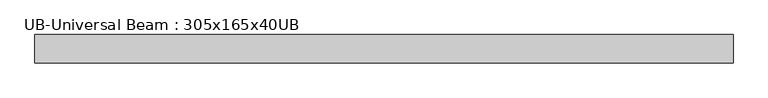
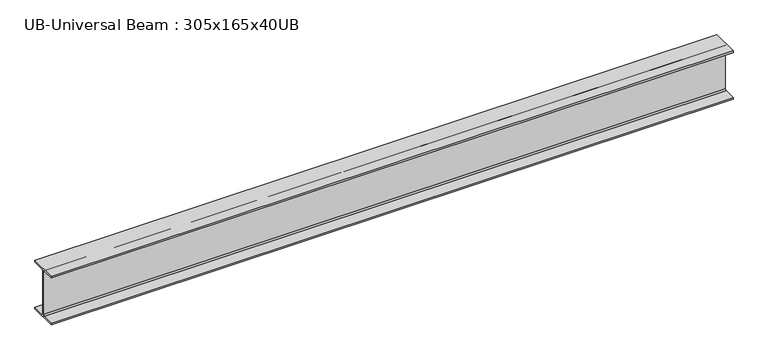
"""IFC4 building model written with IfcOpenShell, lengths in millimetres: beam geometry, UB-Universal Beam : 305x165x40UB."""

from ifc_helpers import new_model, si_unit, point, frame, frame_2d, origin, place, context, project, spatial, polyline, circle_curve, trimmed, segment, composite_curve, outline, extrude, source, transform, mapped, element, save


def ub_universal_beam_305x165x40ub_150edbd7(model_context):
    return source(origin(), model_context, "Body", "SweptSolid", [
        extrude(outline(composite_curve([segment(polyline([(82.5, -141.5), (82.5, -151.7), (-82.5, -151.7), (-82.5, -141.5), (-11.9, -141.5)]), True, "CONTINUOUS"), segment(trimmed(circle_curve(frame_2d((-11.9, -132.6)), 8.9), [point((-11.9, -141.5))], [point((-3.0, -132.6))], True, "CARTESIAN"), True, "CONTINUOUS"), segment(polyline([(-3.0, -132.6), (-3.0, 132.6)]), True, "CONTINUOUS"), segment(trimmed(circle_curve(frame_2d((-11.9, 132.6)), 8.9), [point((-3.0, 132.6))], [point((-11.9, 141.5))], True, "CARTESIAN"), True, "CONTINUOUS"), segment(polyline([(-11.9, 141.5), (-82.5, 141.5), (-82.5, 151.7), (82.5, 151.7), (82.5, 141.5), (11.9, 141.5)]), True, "CONTINUOUS"), segment(trimmed(circle_curve(frame_2d((11.9, 132.6)), 8.9), [point((11.9, 141.5))], [point((3.0, 132.6))], True, "CARTESIAN"), True, "CONTINUOUS"), segment(polyline([(3.0, 132.6), (3.0, -132.6)]), True, "CONTINUOUS"), segment(trimmed(circle_curve(frame_2d((11.9, -132.6)), 8.9), [point((3.0, -132.6))], [point((11.9, -141.5))], True, "CARTESIAN"), True, "CONTINUOUS"), segment(polyline([(11.9, -141.5), (82.5, -141.5)]), True, "CONTINUOUS")], self_intersect=False)), frame((-2017.3000846, 0.0, 0.0), z_axis=(1.0, 0.0, 0.0), x_axis=(0.0, 1.0, 0.0)), (0.0, 0.0, 1.0), 4034.6001692),
    ])


if __name__ == "__main__":
    model = new_model("IFC4")
    model_context = context("Model", 3, world=origin())
    ifc_project = project(units=[si_unit("LENGTHUNIT", "METRE", prefix="MILLI")], contexts=[model_context])
    site = spatial("IfcSite", under=ifc_project)
    building = spatial("IfcBuilding", under=site)
    placement = place(None, origin())
    ub_universal_beam_305x165x40ub_shape = ub_universal_beam_305x165x40ub_150edbd7(model_context)
    element("IfcBeam", 1, ObjectType="UB-Universal Beam : 305x165x40UB", at=placement, inside=building, context=model_context, shape_type="MappedRepresentation", body=[
        mapped(ub_universal_beam_305x165x40ub_shape, transform((0.0, 0.0, 0.0), x_axis=(1.0, 0.0, 0.0), y_axis=(0.0, 1.0, 0.0), z_axis=(0.0, 0.0, 1.0))),
    ])
    save(model, "model.ifc")
